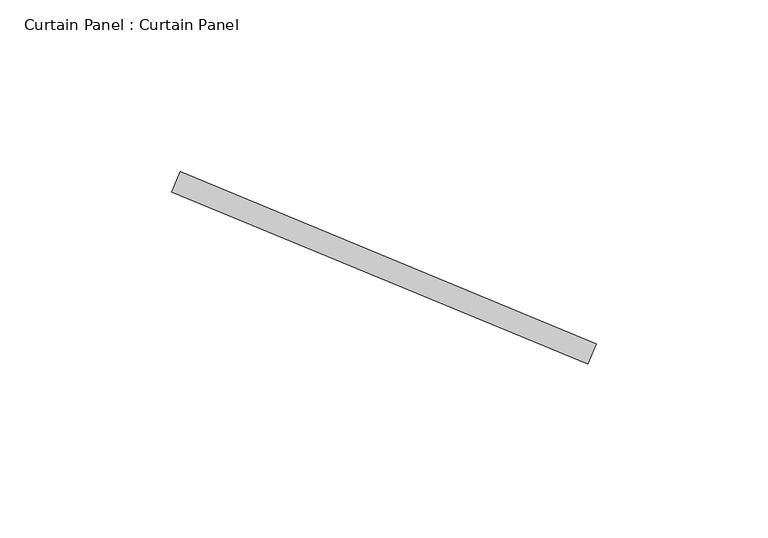
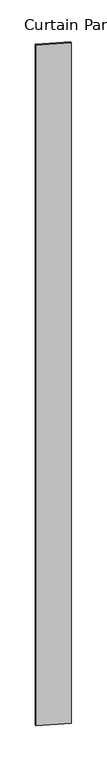
"""IFC4 building model written with IfcOpenShell, lengths in millimetres: plate geometry, Curtain Panel : Curtain Panel."""

from ifc_helpers import new_model, si_unit, frame, origin, place, context, project, spatial, polyline, outline, extrude, source, transform, mapped, element, save


def curtain_panel_curtain_panel_e07219cb(model_context):
    return source(origin(), model_context, "Body", "SweptSolid", [
        extrude(outline(polyline([(593591.9670997, 2966.831438), (593712.8214943, 2916.7719087), (593710.3914545, 2910.9052737), (593589.5370599, 2960.964803), (593591.9670997, 2966.831438)])), frame((0.0, 0.0, 4959.7989371), z_axis=(0.0, 0.0, 1.0), x_axis=(1.0, 0.0, 0.0)), (0.0, 0.0, 1.0), 3048.0),
    ])


if __name__ == "__main__":
    model = new_model("IFC4")
    model_context = context("Model", 3, world=origin())
    ifc_project = project(units=[si_unit("LENGTHUNIT", "METRE", prefix="MILLI")], contexts=[model_context])
    site = spatial("IfcSite", under=ifc_project)
    building = spatial("IfcBuilding", under=site)
    placement = place(None, origin())
    curtain_panel_curtain_panel_shape = curtain_panel_curtain_panel_e07219cb(model_context)
    element("IfcPlate", 1, ObjectType="Curtain Panel : Curtain Panel", at=placement, inside=building, context=model_context, shape_type="MappedRepresentation", body=[
        mapped(curtain_panel_curtain_panel_shape, transform((0.0, 0.0, 0.0), x_axis=(1.0, 0.0, 0.0), y_axis=(0.0, 1.0, 0.0), z_axis=(0.0, 0.0, 1.0))),
    ])
    save(model, "model.ifc")
